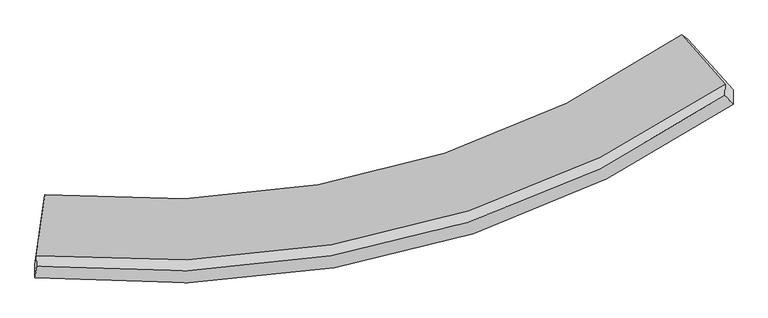
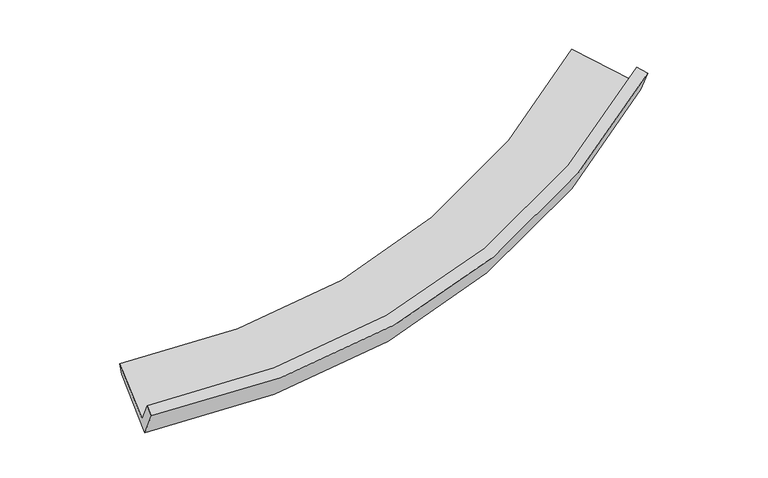
"""IFC4 building model written with IfcOpenShell, lengths in millimetres: proxy geometry."""

import ifcopenshell
import ifcopenshell.guid

model = None  # the IFC model being written
_history = None  # IfcOwnerHistory: only IFC2X3 demands one
_inside = {}  # id of a spatial element -> (the spatial element, [elements in it])
_under = {}  # id of a project, library or spatial element -> (it, [spatial elements below it])
_declared = {}  # id of a project -> (the project, [libraries it declares])
_typed = {}  # id of a type object -> (the type object, [elements of that type])
_made_of = {}  # id of a material, layer set ... -> (it, [elements and type objects made of it])


def new_model(schema):
    """Start an empty IFC model of exactly this schema.

    Asked for "IFC4X3", IfcOpenShell would pick the latest addendum, in which some entities
    have other attributes; the version numbers below select the first issue.
    IFC2X3 requires an IfcOwnerHistory on every rooted entity: one is made here for all.
    """
    global model, _history
    if schema == "IFC4X3":
        model = ifcopenshell.file(schema_version=(4, 3, 0, 0))
    else:
        model = ifcopenshell.file(schema=schema)
    _inside.clear()
    _under.clear()
    _declared.clear()
    _typed.clear()
    _made_of.clear()
    _history = None
    if model.schema == "IFC2X3":
        org = make("IfcOrganization", Name="unknown")
        user = make(
            "IfcPersonAndOrganization",
            ThePerson=make("IfcPerson", FamilyName="unknown"),
            TheOrganization=org,
        )
        app = make(
            "IfcApplication",
            ApplicationDeveloper=org,
            Version="unknown",
            ApplicationFullName="unknown",
            ApplicationIdentifier="unknown",
        )
        _history = make(
            "IfcOwnerHistory",
            OwningUser=user,
            OwningApplication=app,
            ChangeAction="ADDED",
            CreationDate=0,
        )
    return model


def make(cls, **values):
    """One entity of the class cls with the attributes given. An attribute that is None is left unset."""
    return model.create_entity(
        cls, **{name: value for name, value in values.items() if value is not None}
    )


def rooted(cls, **values):
    """An entity with a GlobalId (a new one), such as an element, a storey or a relation."""
    return make(cls, GlobalId=ifcopenshell.guid.new(), OwnerHistory=_history, **values)


def si_unit(unit_type, name, prefix=None):
    """IfcSIUnit, for example si_unit("LENGTHUNIT", "METRE", prefix="MILLI")."""
    return make("IfcSIUnit", UnitType=unit_type, Prefix=prefix, Name=name)


def assignment(units):
    """IfcUnitAssignment: the units of a project."""
    return None if units is None else make("IfcUnitAssignment", Units=units)


def point(xyz):
    """IfcCartesianPoint."""
    return None if xyz is None else make("IfcCartesianPoint", Coordinates=xyz)


def direction(xyz):
    """IfcDirection."""
    return None if xyz is None else make("IfcDirection", DirectionRatios=xyz)


def frame(location, z_axis=None, x_axis=None):
    """IfcAxis2Placement3D, a coordinate frame: its origin and axes. An axis left out is left unset."""
    return make(
        "IfcAxis2Placement3D",
        Location=point(location),
        Axis=direction(z_axis),
        RefDirection=direction(x_axis),
    )


def origin():
    """The frame at (0, 0, 0) with its axes left unset."""
    return frame((0.0, 0.0, 0.0))


def place(relative_to, where):
    """IfcLocalPlacement: puts the frame where relative to a parent placement (None: the world)."""
    return make(
        "IfcLocalPlacement", PlacementRelTo=relative_to, RelativePlacement=where
    )


def context(
    kind, dimensions, precision=None, world=None, true_north=None, identifier=None
):
    """IfcGeometricRepresentationContext, for example the 3D "Model" context."""
    return make(
        "IfcGeometricRepresentationContext",
        ContextIdentifier=identifier,
        ContextType=kind,
        CoordinateSpaceDimension=dimensions,
        Precision=precision,
        WorldCoordinateSystem=world,
        TrueNorth=true_north,
    )


def project(units=None, contexts=None):
    """IfcProject with its units and contexts."""
    return rooted(
        "IfcProject",
        Name="project",
        RepresentationContexts=contexts,
        UnitsInContext=assignment(units),
    )


def spatial(cls, under=None, at=None, **own):
    """A site, building, storey or space (cls), placed at a placement, below another one or the project."""
    s = rooted(cls, ObjectPlacement=at, **own)
    if under is not None:
        _under.setdefault(under.id(), (under, []))[1].append(s)
    return s


def shape(context_of_items, identifier, shape_type, items):
    """IfcShapeRepresentation: the items that make up one representation, for example the "Body"."""
    return make(
        "IfcShapeRepresentation",
        ContextOfItems=context_of_items,
        RepresentationIdentifier=identifier,
        RepresentationType=shape_type,
        Items=items,
    )


def source(mapping_origin, context_of_items, identifier, shape_type, items):
    """IfcRepresentationMap: a shape defined once, which mapped items show again and again."""
    return make(
        "IfcRepresentationMap",
        MappingOrigin=mapping_origin,
        MappedRepresentation=shape(context_of_items, identifier, shape_type, items),
    )


def transform(
    local_origin,
    x_axis=None,
    y_axis=None,
    z_axis=None,
    scale=None,
    scale2=None,
    scale3=None,
    uniform=True,
):
    """IfcCartesianTransformationOperator3D, or its non-uniform kind. x_axis, y_axis, z_axis: its Axis1, 2, 3."""
    if uniform:
        return make(
            "IfcCartesianTransformationOperator3D",
            Axis1=direction(x_axis),
            Axis2=direction(y_axis),
            LocalOrigin=point(local_origin),
            Scale=scale,
            Axis3=direction(z_axis),
        )
    return make(
        "IfcCartesianTransformationOperator3DnonUniform",
        Axis1=direction(x_axis),
        Axis2=direction(y_axis),
        LocalOrigin=point(local_origin),
        Scale=scale,
        Axis3=direction(z_axis),
        Scale2=scale2,
        Scale3=scale3,
    )


def mapped(mapping_source, mapping_target):
    """IfcMappedItem: shows the shape of a source again, moved by a transform."""
    return make(
        "IfcMappedItem", MappingSource=mapping_source, MappingTarget=mapping_target
    )


def made_of(thing, what):
    """Note that an element or type object is made of a material, layer set ...; save() writes the relation."""
    if what is not None:
        _made_of.setdefault(what.id(), (what, []))[1].append(thing)
    return thing


def element(
    cls,
    number,
    at=None,
    inside=None,
    cuts=None,
    type_object=None,
    material=None,
    context=None,
    identifier="Body",
    shape_type=None,
    held_by="IfcProductDefinitionShape",
    body=None,
    shapes=None,
    **own,
):
    """One element of the class cls, such as IfcWall. Its Tag is "e" and its number.

    at: its placement. inside: the storey or other place that contains it. cuts: it is an
    opening in that element (IfcRelVoidsElement). A single representation is given by context,
    identifier, shape_type and body (its items); several are given by shapes. held_by: the class
    of the entity that holds the representations. save() writes the other relations.
    """
    e = rooted(cls, Tag="e%d" % number, ObjectPlacement=at, **own)
    if body is not None:
        shapes = [shape(context, identifier, shape_type, body)]
    if shapes is not None:
        e.Representation = make(held_by, Representations=shapes)
    if inside is not None:
        _inside.setdefault(inside.id(), (inside, []))[1].append(e)
    if cuts is not None:
        rooted(
            "IfcRelVoidsElement", RelatingBuildingElement=cuts, RelatedOpeningElement=e
        )
    if type_object is not None:
        _typed.setdefault(type_object.id(), (type_object, []))[1].append(e)
    return made_of(e, material)


def aggregate(whole, parts):
    """IfcRelAggregates: a whole, such as a stair, and the parts it consists of."""
    return rooted("IfcRelAggregates", RelatingObject=whole, RelatedObjects=parts)


def save(model, path):
    """Write the relations noted so far, then the file.

    IfcRelAggregates (storeys below a building ...), IfcRelContainedInSpatialStructure (elements
    in a storey), IfcRelDefinesByType, IfcRelAssociatesMaterial and IfcRelDeclares: one each for
    every whole, place, type object, material and project.
    """
    for whole, parts in _under.values():
        aggregate(whole, parts)
    for where, things in _inside.values():
        rooted(
            "IfcRelContainedInSpatialStructure",
            RelatedElements=things,
            RelatingStructure=where,
        )
    for kind, things in _typed.values():
        rooted("IfcRelDefinesByType", RelatedObjects=things, RelatingType=kind)
    for what, things in _made_of.values():
        rooted("IfcRelAssociatesMaterial", RelatedObjects=things, RelatingMaterial=what)
    for by, libraries in _declared.values():
        rooted("IfcRelDeclares", RelatingContext=by, RelatedDefinitions=libraries)
    model.write(path)


def plane_surface(at):
    """IfcPlane: the flat surface through the origin of the frame at, square to its z axis."""
    return make("IfcPlane", Position=at)


def spline_curve(degree, points, multiplicities, knots, weights=None):
    """IfcBSplineCurveWithKnots; with weights, IfcRationalBSplineCurveWithKnots."""
    own = dict(
        Degree=degree,
        ControlPointsList=[point(p) for p in points],
        CurveForm="UNSPECIFIED",
        ClosedCurve=False,
        SelfIntersect=False,
        KnotMultiplicities=multiplicities,
        Knots=knots,
        KnotSpec="UNSPECIFIED",
    )
    if weights is None:
        return make("IfcBSplineCurveWithKnots", **own)
    return make("IfcRationalBSplineCurveWithKnots", WeightsData=weights, **own)


def spline_surface(u_degree, v_degree, points, u_multiplicities, v_multiplicities, u_knots, v_knots, weights=None):
    """IfcBSplineSurfaceWithKnots; with weights, IfcRationalBSplineSurfaceWithKnots. points: one row for each step in u."""
    own = dict(
        UDegree=u_degree,
        VDegree=v_degree,
        ControlPointsList=[[point(p) for p in row] for row in points],
        SurfaceForm="UNSPECIFIED",
        UClosed=False,
        VClosed=False,
        SelfIntersect=False,
        UMultiplicities=u_multiplicities,
        VMultiplicities=v_multiplicities,
        UKnots=u_knots,
        VKnots=v_knots,
        KnotSpec="UNSPECIFIED",
    )
    if weights is None:
        return make("IfcBSplineSurfaceWithKnots", **own)
    return make("IfcRationalBSplineSurfaceWithKnots", WeightsData=weights, **own)


def advanced_brep(points, edges, surfaces, faces):
    """IfcAdvancedBrep: a solid bounded by faces that lie on surfaces and meet in shared edges.

    An edge is (start, end): straight between two places in points (the first is 0);
    or (start, end, curve); or (start, end, curve, False) where it runs against its curve.
    A face is (place in surfaces, loops), or (place, loops, False) where it looks against
    its surface's normal. A loop lists edges by number (the first is 1), with a minus sign
    where the edge is run from its end to its start. The first loop is the outer one.
    """
    corners = [point(p) for p in points]
    vertices = [make("IfcVertexPoint", VertexGeometry=c) for c in corners]
    made = []
    for start, end, *more in edges:
        made.append(
            make(
                "IfcEdgeCurve",
                EdgeStart=vertices[start],
                EdgeEnd=vertices[end],
                EdgeGeometry=more[0] if more else make("IfcPolyline", Points=[corners[start], corners[end]]),
                SameSense=more[1] if len(more) > 1 else True,
            )
        )
    hull = []
    for where, loops, *sense in faces:
        bounds = []
        for j, loop in enumerate(loops):
            ring = [make("IfcOrientedEdge", EdgeElement=made[abs(k) - 1], Orientation=k > 0) for k in loop]
            bounds.append(
                make(
                    "IfcFaceOuterBound" if j == 0 else "IfcFaceBound",
                    Bound=make("IfcEdgeLoop", EdgeList=ring),
                    Orientation=True,
                )
            )
        hull.append(make("IfcAdvancedFace", Bounds=bounds, FaceSurface=surfaces[where], SameSense=sense[0] if sense else True))
    return make("IfcAdvancedBrep", Outer=make("IfcClosedShell", CfsFaces=hull))


def generic_models_5aefb3d3(model_context):
    return source(origin(), model_context, "Body", "AdvancedBrep", [
        advanced_brep(
        [(-8574.4572022, -3586.6034506, 826.77181), (-8572.8142866, -3827.3380196, 1365.283423), (7424.0465646, 143.4928206, 3361.5511263), (7425.0785643, 397.9454794, 2845.049399), (-8380.6981941, -2168.115031, 1525.9720062), (6413.9334207, 1546.9163766, 3409.0653214), (-8408.0470568, -2312.2818763, 1309.1779705), (6558.440853, 1447.7168721, 3197.2597519), (-8611.3619975, -3788.0365537, 548.752149), (7612.642558, 267.1720652, 2574.2064631), (-8609.7064816, -4097.421728, 1232.1539739), (7611.2780709, -69.2595752, 3257.1135474)],
        [
            (0, 1),
            (1, 2, spline_curve(3, [(-8572.8142866, -3827.3380196, 1365.283423), (-4990.009889379, -4153.493918455, 1208.767974216), (-1644.418802299, -3812.335389312, 1383.280208438), (3558.34745755, -2124.365180321, 2229.44699218), (5545.043322338, -1141.913430484, 2720.35732526), (7424.0465646, 143.4928206, 3361.5511263)], [4, 2, 4], [0.0, 33.17757543548369, 55.532236615835586])),
            (2, 3),
            (3, 0, spline_curve(3, [(7425.0785643, 397.9454794, 2845.049399), (5546.33057203, -882.915006475, 2199.135894113), (3559.642717337, -1863.391902032, 1704.216894559), (-1643.717828147, -3552.842802218, 849.858324764), (-4990.208561896, -3900.548882504, 672.018128073), (-8574.4572022, -3586.6034506, 826.77181)], [4, 2, 4], [0.0, 22.354661180351897, 55.532236615835586])),
            (4, 0),
            (3, 5),
            (5, 4, spline_curve(3, [(6413.9334207, 1546.9163766, 3409.0653214), (4683.7639245, 347.460704065, 2803.552463766), (2850.928294407, -569.822788092, 2340.07286501), (-1957.140187542, -2147.531859051, 1541.553309842), (-5055.84843009, -2468.592168771, 1377.335135393), (-8380.6981941, -2168.115031, 1525.9720062)], [4, 2, 4], [0.0, 21.52891460339283, 53.48096176418582])),
            (6, 4),
            (5, 7),
            (7, 6, spline_curve(3, [(6558.440853, 1447.7168721, 3197.2597519), (4804.317505788, 240.65152081, 2594.605023805), (2947.887680347, -683.607321582, 2132.563549123), (-1917.898786047, -2277.068406241, 1334.088996955), (-5050.298264759, -2606.142481575, 1166.76987852), (-8408.0470568, -2312.2818763, 1309.1779705)], [4, 2, 4], [0.0, 20.814234902892075, 51.705593221913965])),
            (8, 6),
            (7, 9),
            (9, 8, spline_curve(3, [(7612.642558, 267.1720652, 2574.2064631), (5710.136643001, -1039.492620277, 1922.394143388), (3697.129718582, -2039.202934121, 1423.563254193), (-1577.973494653, -3760.109667767, 564.422791183), (-4972.968088843, -4112.135559302, 388.102242001), (-8611.3619975, -3788.0365537, 548.752149)], [4, 2, 4], [0.0, 21.80348463158161, 54.16303373342674])),
            (10, 8),
            (9, 11),
            (11, 10, spline_curve(3, [(7611.2780709, -69.2595752, 3257.1135474), (5708.500818875, -1377.948640977, 2604.402052505), (3695.494914877, -2377.407465772, 2105.060677305), (-1578.929191027, -4092.03587365, 1245.617655745), (-4972.918137428, -4435.297765267, 1069.972506194), (-8609.7064816, -4097.421728, 1232.1539739)], [4, 2, 4], [0.0, 22.674622020777043, 56.32706597848805])),
            (1, 10),
            (11, 2),
        ],
        [
            spline_surface(3, 3, [[(-8574.4572022, -3586.6034506, 826.77181), (-4990.208562416, -3900.54888228, 672.018128019), (-1643.717828163, -3552.842801784, 849.858324995), (3559.642717348, -1863.391902325, 1704.216894403), (5546.330571925, -882.915006171, 2199.135893752), (7425.0785643, 397.9454794, 2845.049399)], [(-8573.909563675, -3666.84830693, 1006.275681019), (-4990.142337938, -3984.863894274, 850.934743603), (-1643.951486347, -3639.340330748, 1027.665619634), (3559.210964186, -1950.382995087, 1879.293593528), (5545.90148861, -969.247814168, 2372.876370967), (7424.734564381, 313.127926454, 3017.216641451)], [(-8573.361925125, -3747.09316327, 1185.779551981), (-4990.076113437, -4069.178906278, 1029.85135913), (-1644.18514455, -3725.837859795, 1205.472914322), (3558.779211005, -2037.374087931, 2054.370292702), (5545.472405351, -1055.580622129, 2546.616848126), (7424.390564519, 228.310373546, 3189.383883849)], [(-8572.8142866, -3827.3380196, 1365.283423), (-4990.00988896, -4153.493918273, 1208.767974714), (-1644.418802734, -3812.335388759, 1383.280208962), (3558.347457843, -2124.365180693, 2229.446991827), (5545.043322036, -1141.913430127, 2720.357325341), (7424.0465646, 143.4928206, 3361.5511263)]], [4, 4], [4, 2, 4], [0.0, 1.9384267658609793], [0.0, 33.17757543548369, 55.532236615835586]),
            spline_surface(3, 3, [[(-8380.6981941, -2168.115031, 1525.9720062), (-5055.848429749, -2468.592168536, 1377.335135666), (-1957.14018776, -2147.531858639, 1541.553309316), (2850.928294553, -569.82278837, 2340.072865365), (4683.763924163, 347.460704284, 2803.55246351), (6413.9334207, 1546.9163766, 3409.0653214)], [(-8445.284530123, -2640.944504194, 1292.905274109), (-5033.968473961, -2945.911073112, 1142.229466426), (-1852.666067899, -2615.968839698, 1310.988314554), (3087.16643548, -1001.012493032, 2128.120875057), (4971.286140096, -62.664532512, 2602.080273601), (6750.981801912, 1163.926077556, 3221.060013944)], [(-8509.870866177, -3113.773977406, 1059.838542091), (-5012.088518204, -3423.229977704, 907.123797259), (-1748.191948023, -3084.405820725, 1080.423319756), (3323.404576422, -1432.202197662, 1916.168884711), (5258.808355992, -472.789769375, 2400.608083661), (7088.030183088, 780.935778444, 3033.054706456)], [(-8574.4572022, -3586.6034506, 826.77181), (-4990.208562416, -3900.54888228, 672.018128019), (-1643.717828163, -3552.842801784, 849.858324995), (3559.642717348, -1863.391902325, 1704.216894403), (5546.330571925, -882.915006171, 2199.135893752), (7425.0785643, 397.9454794, 2845.049399)]], [4, 4], [4, 2, 4], [0.0, 5.199987138775686], [0.0, 31.95204716079299, 53.48096176418582]),
            spline_surface(3, 3, [[(-8408.0470568, -2312.2818763, 1309.1779705), (-5050.298264554, -2606.142481145, 1166.769878085), (-1917.898786472, -2277.068406754, 1334.088996955), (2947.887680633, -683.607321237, 2132.563549123), (4804.317505824, 240.651520539, 2594.605024023), (6558.440853, 1447.7168721, 3197.2597519)], [(-8398.930769217, -2264.226261207, 1381.44264908), (-5052.148319603, -2560.292376949, 1236.958297292), (-1930.979253572, -2233.889557392, 1403.243767716), (2915.56788527, -645.679143624, 2201.733321178), (4764.132978624, 276.254581789, 2664.254170486), (6510.27170892, 1480.783373602, 3267.861608368)], [(-8389.814481683, -2216.170646093, 1453.70732762), (-5053.9983747, -2514.442272733, 1307.146716459), (-1944.05972066, -2190.710708001, 1472.398538555), (2883.248089917, -607.750965983, 2270.90309331), (4723.948451364, 311.857643034, 2733.903317046), (6462.10256478, 1513.849875098, 3338.463464932)], [(-8380.6981941, -2168.115031, 1525.9720062), (-5055.848429749, -2468.592168536, 1377.335135666), (-1957.14018776, -2147.531858639, 1541.553309316), (2850.928294553, -569.82278837, 2340.072865365), (4683.763924163, 347.460704284, 2803.55246351), (6413.9334207, 1546.9163766, 3409.0653214)]], [4, 4], [4, 2, 4], [0.0, 0.8163951245855197], [0.0, 30.89135831902189, 51.705593221913965]),
            spline_surface(3, 3, [[(-8611.3619975, -3788.0365537, 548.752149), (-4972.968088646, -4112.135559747, 388.10224231), (-1577.973494478, -3760.109667638, 564.422791236), (3697.129718464, -2039.202934208, 1423.563254157), (5710.13664282, -1039.492620009, 1922.394143299), (7612.642558, 267.1720652, 2574.2064631)], [(-8543.59035062, -3296.118327887, 802.227422831), (-4998.744813969, -3610.137866867, 647.658120899), (-1691.281925137, -3265.762580672, 820.978193151), (3447.382372526, -1587.337729879, 1659.896685821), (5408.196930476, -612.777906494, 2146.464436904), (7261.241989655, 660.687000833, 2781.89089273)], [(-8475.81870368, -2804.200102113, 1055.702696669), (-5024.521539231, -3108.140174026, 907.213999496), (-1804.590355813, -2771.41549372, 1077.53359504), (3197.635026571, -1135.472525565, 1896.230117459), (5106.257218167, -186.063192976, 2370.534730418), (6909.841421345, 1054.201936467, 2989.57532227)], [(-8408.0470568, -2312.2818763, 1309.1779705), (-5050.298264554, -2606.142481145, 1166.769878085), (-1917.898786472, -2277.068406754, 1334.088996955), (2947.887680633, -683.607321237, 2132.563549123), (4804.317505824, 240.651520539, 2594.605024023), (6558.440853, 1447.7168721, 3197.2597519)]], [4, 4], [4, 2, 4], [0.0, 5.537754303980718], [0.0, 32.359549101845126, 54.16303373342674]),
            spline_surface(3, 3, [[(-8609.7064816, -4097.421728, 1232.1539739), (-4972.918137324, -4435.297765534, 1069.972505695), (-1578.929190807, -4092.035873118, 1245.61765545), (3695.494914729, -2377.407466131, 2105.060677504), (5708.500819044, -1377.948640949, 2604.402052221), (7611.2780709, -69.2595752, 3257.1135474)], [(-8610.25832022, -3994.29333659, 1004.353365606), (-4972.934787752, -4327.577030296, 842.682417906), (-1578.610625343, -3981.393804612, 1018.552700732), (3696.039849328, -2264.672622144, 1877.894869742), (5709.046093636, -1265.129967331, 2377.066082554), (7611.732899934, 42.884304904, 3029.477852607)], [(-8610.81015888, -3891.16494511, 776.552757294), (-4972.951438219, -4219.856294986, 615.392330099), (-1578.292059942, -3870.751736144, 791.487745954), (3696.584783864, -2151.937778195, 1650.729061919), (5709.591368227, -1152.311293627, 2149.730112966), (7612.187728966, 155.028185096, 2801.842157893)], [(-8611.3619975, -3788.0365537, 548.752149), (-4972.968088646, -4112.135559747, 388.10224231), (-1577.973494478, -3760.109667638, 564.422791236), (3697.129718464, -2039.202934208, 1423.563254157), (5710.13664282, -1039.492620009, 1922.394143299), (7612.642558, 267.1720652, 2574.2064631)]], [4, 4], [4, 2, 4], [0.0, 2.4887498993176007], [0.0, 33.65244395771101, 56.32706597848805]),
            spline_surface(3, 3, [[(-8572.8142866, -3827.3380196, 1365.283423), (-4990.00988896, -4153.493918273, 1208.767974714), (-1644.418802734, -3812.335388759, 1383.280208962), (3558.347457843, -2124.365180693, 2229.446991827), (5545.043322036, -1141.913430127, 2720.357325341), (7424.0465646, 143.4928206, 3361.5511263)], [(-8585.111684945, -3917.365922391, 1320.906939955), (-4984.312638426, -4247.428534018, 1162.502818363), (-1622.588932116, -3905.568883571, 1337.392691126), (3604.063276781, -2208.712609198, 2187.984887054), (5599.52915437, -1220.591833717, 2681.705567634), (7486.457066698, 72.57535535, 3326.7386)], [(-8597.409083255, -4007.393825209, 1276.530456945), (-4978.615387858, -4341.36314979, 1116.237662047), (-1600.759061425, -3998.802378307, 1291.505173286), (3649.779095791, -2293.060037626, 2146.522782277), (5654.01498671, -1299.270237359, 2643.053809928), (7548.867568802, 1.65789005, 3291.9260737)], [(-8609.7064816, -4097.421728, 1232.1539739), (-4972.918137324, -4435.297765535, 1069.972505695), (-1578.929190807, -4092.035873118, 1245.61765545), (3695.494914729, -2377.407466131, 2105.060677504), (5708.500819044, -1377.948640949, 2604.402052221), (7611.2780709, -69.2595752, 3257.1135474)]], [4, 4], [4, 2, 4], [0.0, 1.0292159760973314], [0.0, 33.409764767917906, 55.920872397057245]),
            plane_surface(frame((7174.2366719, 622.3306731, 3107.3742682), z_axis=(0.7846821982485638, 0.5554569321476537, 0.2752116354388356), x_axis=(-0.6197731877078994, 0.6940512567086372, 0.3662977598341959))),
            plane_surface(frame((-8526.1808698, -3296.6327765, 1134.6852221), z_axis=(-0.9925763005186822, 0.1098769797011617, 0.05214726244394437), x_axis=(-0.002785200464833163, 0.4081122871379377, -0.9129274909572022))),
        ],
        [
            (0, [[1, 2, 3, 4]]),
            (1, [[5, -4, 6, 7]]),
            (2, [[8, -7, 9, 10]]),
            (3, [[11, -10, 12, 13]]),
            (4, [[14, -13, 15, 16]]),
            (5, [[17, -16, 18, -2]]),
            (6, [[-12, -9, -6, -3, -18, -15]]),
            (7, [[-1, -5, -8, -11, -14, -17]]),
        ],
    ),
    ])


if __name__ == "__main__":
    model = new_model("IFC4")
    model_context = context("Model", 3, world=origin())
    ifc_project = project(units=[si_unit("LENGTHUNIT", "METRE", prefix="MILLI")], contexts=[model_context])
    site = spatial("IfcSite", under=ifc_project)
    building = spatial("IfcBuilding", under=site)
    placement = place(None, origin())
    generic_models_shape = generic_models_5aefb3d3(model_context)
    element("IfcBuildingElementProxy", 1, Name="Generic Models", at=placement, inside=building, context=model_context, shape_type="MappedRepresentation", body=[
        mapped(generic_models_shape, transform((0.0, 0.0, 0.0), x_axis=(1.0, 0.0, 0.0), y_axis=(0.0, 1.0, 0.0), z_axis=(0.0, 0.0, 1.0))),
    ])
    save(model, "model.ifc")
